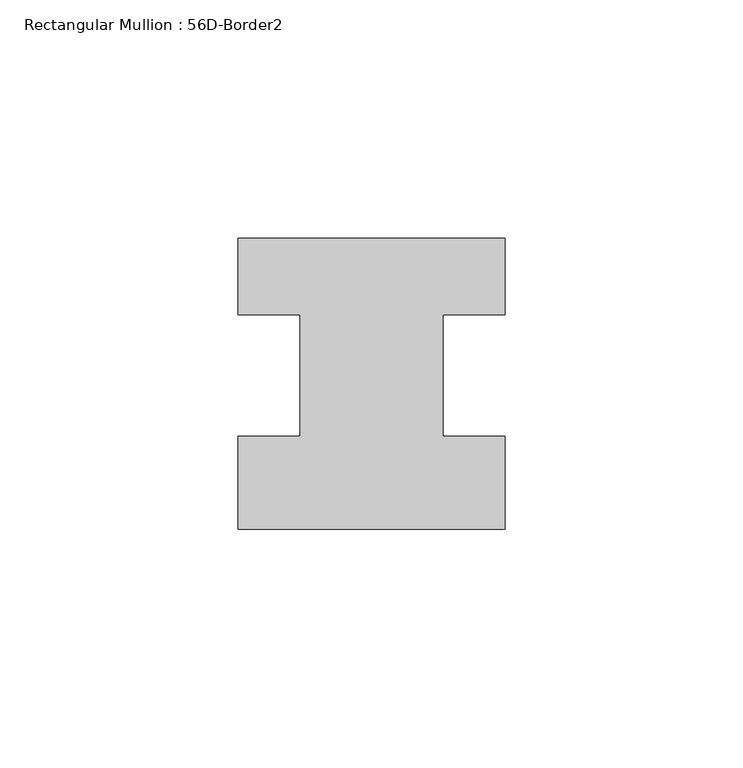
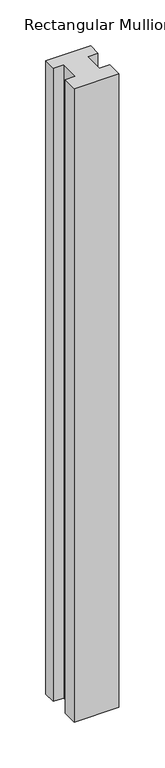
"""IFC4 building model written with IfcOpenShell, lengths in millimetres: member geometry, Rectangular Mullion : 56D-Border2."""

from ifc_helpers import new_model, si_unit, frame, origin, place, context, project, spatial, polyline, outline, extrude, source, transform, mapped, element, save


def rectangular_mullion_56d_border2_422da40f(model_context):
    return source(origin(), model_context, "Body", "SweptSolid", [
        extrude(outline(polyline([(0.0, -20.0), (-56.0, -20.0), (-56.0, -0.5), (-43.0, -0.5), (-43.0, 25.0), (-56.0, 25.0), (-56.0, 41.0), (0.0, 41.0), (0.0, 25.0), (-13.0, 25.0), (-13.0, -0.5), (0.0, -0.5), (0.0, -20.0)])), frame((0.0, 0.0, -840.4391027), z_axis=(0.0, 0.0, 1.0), x_axis=(1.0, 0.0, 0.0)), (0.0, 0.0, 1.0), 840.4391027),
    ])


if __name__ == "__main__":
    model = new_model("IFC4")
    model_context = context("Model", 3, world=origin())
    ifc_project = project(units=[si_unit("LENGTHUNIT", "METRE", prefix="MILLI")], contexts=[model_context])
    site = spatial("IfcSite", under=ifc_project)
    building = spatial("IfcBuilding", under=site)
    placement = place(None, origin())
    rectangular_mullion_56d_border2_shape = rectangular_mullion_56d_border2_422da40f(model_context)
    element("IfcMember", 1, ObjectType="Rectangular Mullion : 56D-Border2", at=placement, inside=building, context=model_context, shape_type="MappedRepresentation", body=[
        mapped(rectangular_mullion_56d_border2_shape, transform((0.0, 0.0, 0.0), x_axis=(1.0, 0.0, 0.0), y_axis=(0.0, 1.0, 0.0), z_axis=(0.0, 0.0, 1.0))),
    ])
    save(model, "model.ifc")
